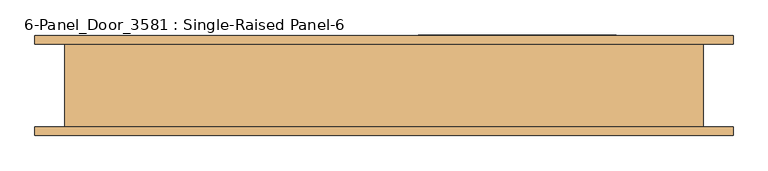
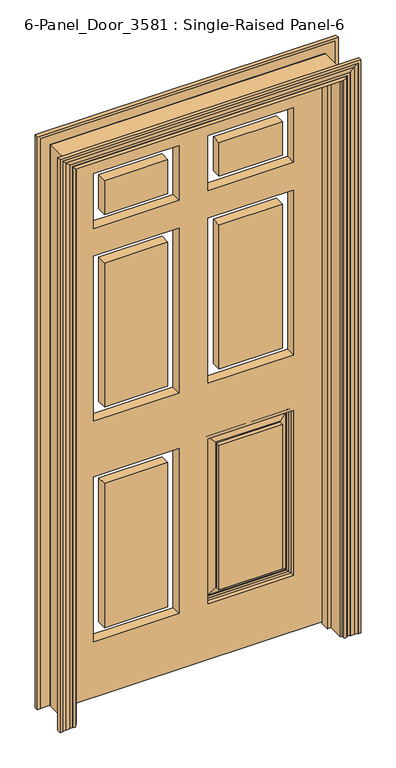
"""IFC4 building model written with IfcOpenShell, lengths in millimetres: door geometry, 6-Panel_Door_3581 : Single-Raised Panel-6."""

import ifcopenshell
import ifcopenshell.guid

model = None  # the IFC model being written
_history = None  # IfcOwnerHistory: only IFC2X3 demands one
_inside = {}  # id of a spatial element -> (the spatial element, [elements in it])
_under = {}  # id of a project, library or spatial element -> (it, [spatial elements below it])
_declared = {}  # id of a project -> (the project, [libraries it declares])
_typed = {}  # id of a type object -> (the type object, [elements of that type])
_made_of = {}  # id of a material, layer set ... -> (it, [elements and type objects made of it])


def new_model(schema):
    """Start an empty IFC model of exactly this schema.

    Asked for "IFC4X3", IfcOpenShell would pick the latest addendum, in which some entities
    have other attributes; the version numbers below select the first issue.
    IFC2X3 requires an IfcOwnerHistory on every rooted entity: one is made here for all.
    """
    global model, _history
    if schema == "IFC4X3":
        model = ifcopenshell.file(schema_version=(4, 3, 0, 0))
    else:
        model = ifcopenshell.file(schema=schema)
    _inside.clear()
    _under.clear()
    _declared.clear()
    _typed.clear()
    _made_of.clear()
    _history = None
    if model.schema == "IFC2X3":
        org = make("IfcOrganization", Name="unknown")
        user = make(
            "IfcPersonAndOrganization",
            ThePerson=make("IfcPerson", FamilyName="unknown"),
            TheOrganization=org,
        )
        app = make(
            "IfcApplication",
            ApplicationDeveloper=org,
            Version="unknown",
            ApplicationFullName="unknown",
            ApplicationIdentifier="unknown",
        )
        _history = make(
            "IfcOwnerHistory",
            OwningUser=user,
            OwningApplication=app,
            ChangeAction="ADDED",
            CreationDate=0,
        )
    return model


def make(cls, **values):
    """One entity of the class cls with the attributes given. An attribute that is None is left unset."""
    return model.create_entity(
        cls, **{name: value for name, value in values.items() if value is not None}
    )


def rooted(cls, **values):
    """An entity with a GlobalId (a new one), such as an element, a storey or a relation."""
    return make(cls, GlobalId=ifcopenshell.guid.new(), OwnerHistory=_history, **values)


def si_unit(unit_type, name, prefix=None):
    """IfcSIUnit, for example si_unit("LENGTHUNIT", "METRE", prefix="MILLI")."""
    return make("IfcSIUnit", UnitType=unit_type, Prefix=prefix, Name=name)


def assignment(units):
    """IfcUnitAssignment: the units of a project."""
    return None if units is None else make("IfcUnitAssignment", Units=units)


def point(xyz):
    """IfcCartesianPoint."""
    return None if xyz is None else make("IfcCartesianPoint", Coordinates=xyz)


def direction(xyz):
    """IfcDirection."""
    return None if xyz is None else make("IfcDirection", DirectionRatios=xyz)


def frame(location, z_axis=None, x_axis=None):
    """IfcAxis2Placement3D, a coordinate frame: its origin and axes. An axis left out is left unset."""
    return make(
        "IfcAxis2Placement3D",
        Location=point(location),
        Axis=direction(z_axis),
        RefDirection=direction(x_axis),
    )


def origin():
    """The frame at (0, 0, 0) with its axes left unset."""
    return frame((0.0, 0.0, 0.0))


def place(relative_to, where):
    """IfcLocalPlacement: puts the frame where relative to a parent placement (None: the world)."""
    return make(
        "IfcLocalPlacement", PlacementRelTo=relative_to, RelativePlacement=where
    )


def context(
    kind, dimensions, precision=None, world=None, true_north=None, identifier=None
):
    """IfcGeometricRepresentationContext, for example the 3D "Model" context."""
    return make(
        "IfcGeometricRepresentationContext",
        ContextIdentifier=identifier,
        ContextType=kind,
        CoordinateSpaceDimension=dimensions,
        Precision=precision,
        WorldCoordinateSystem=world,
        TrueNorth=true_north,
    )


def project(units=None, contexts=None):
    """IfcProject with its units and contexts."""
    return rooted(
        "IfcProject",
        Name="project",
        RepresentationContexts=contexts,
        UnitsInContext=assignment(units),
    )


def spatial(cls, under=None, at=None, **own):
    """A site, building, storey or space (cls), placed at a placement, below another one or the project."""
    s = rooted(cls, ObjectPlacement=at, **own)
    if under is not None:
        _under.setdefault(under.id(), (under, []))[1].append(s)
    return s


def polyline(points):
    """IfcPolyline through the points."""
    return make("IfcPolyline", Points=[point(p) for p in points])


def circle_curve(where, radius):
    """IfcCircle in the frame where."""
    return make("IfcCircle", Position=where, Radius=radius)


def ellipse_curve(where, semi_axis1, semi_axis2):
    """IfcEllipse in the frame where."""
    return make(
        "IfcEllipse", Position=where, SemiAxis1=semi_axis1, SemiAxis2=semi_axis2
    )


def outline(outer, holes=None, kind="AREA"):
    """IfcArbitraryClosedProfileDef: a profile drawn as a closed curve; with holes, ...WithVoids."""
    if holes is None:
        return make("IfcArbitraryClosedProfileDef", ProfileType=kind, OuterCurve=outer)
    return make(
        "IfcArbitraryProfileDefWithVoids",
        ProfileType=kind,
        OuterCurve=outer,
        InnerCurves=holes,
    )


def extrude(swept, where, along, depth):
    """IfcExtrudedAreaSolid: the profile swept, set in the frame where, extruded along a direction by depth."""
    return make(
        "IfcExtrudedAreaSolid",
        SweptArea=swept,
        Position=where,
        ExtrudedDirection=direction(along),
        Depth=depth,
    )


def faces_of(points, faces, orient=None, outer=None):
    """IfcFace entities. A face is a list of loops; a loop is a list of indices into points, from 0.

    orient and outer hold one flag for each loop. By default every Orientation is true, the
    first loop of a face is its IfcFaceOuterBound and the others are IfcFaceBound.
    """
    made = []
    for i, loops in enumerate(faces):
        bounds = []
        for j, loop in enumerate(loops):
            is_outer = j == 0 if outer is None else outer[i][j]
            bounds.append(
                make(
                    "IfcFaceOuterBound" if is_outer else "IfcFaceBound",
                    Bound=make("IfcPolyLoop", Polygon=[points[k] for k in loop]),
                    Orientation=True if orient is None else orient[i][j],
                )
            )
        made.append(make("IfcFace", Bounds=bounds))
    return made


def faceted_brep(points, faces, orient=None, outer=None, voids=None):
    """IfcFacetedBrep: a solid bounded by flat faces; with voids (closed shells), ...WithVoids."""
    shared = [point(p) for p in points]
    hull = make("IfcClosedShell", CfsFaces=faces_of(shared, faces, orient, outer))
    if voids is None:
        return make("IfcFacetedBrep", Outer=hull)
    return make(
        "IfcFacetedBrepWithVoids",
        Outer=hull,
        Voids=[
            make(cls, CfsFaces=faces_of(shared, fs, o, b)) for cls, fs, o, b in voids
        ],
    )


def shape(context_of_items, identifier, shape_type, items):
    """IfcShapeRepresentation: the items that make up one representation, for example the "Body"."""
    return make(
        "IfcShapeRepresentation",
        ContextOfItems=context_of_items,
        RepresentationIdentifier=identifier,
        RepresentationType=shape_type,
        Items=items,
    )


def source(mapping_origin, context_of_items, identifier, shape_type, items):
    """IfcRepresentationMap: a shape defined once, which mapped items show again and again."""
    return make(
        "IfcRepresentationMap",
        MappingOrigin=mapping_origin,
        MappedRepresentation=shape(context_of_items, identifier, shape_type, items),
    )


def transform(
    local_origin,
    x_axis=None,
    y_axis=None,
    z_axis=None,
    scale=None,
    scale2=None,
    scale3=None,
    uniform=True,
):
    """IfcCartesianTransformationOperator3D, or its non-uniform kind. x_axis, y_axis, z_axis: its Axis1, 2, 3."""
    if uniform:
        return make(
            "IfcCartesianTransformationOperator3D",
            Axis1=direction(x_axis),
            Axis2=direction(y_axis),
            LocalOrigin=point(local_origin),
            Scale=scale,
            Axis3=direction(z_axis),
        )
    return make(
        "IfcCartesianTransformationOperator3DnonUniform",
        Axis1=direction(x_axis),
        Axis2=direction(y_axis),
        LocalOrigin=point(local_origin),
        Scale=scale,
        Axis3=direction(z_axis),
        Scale2=scale2,
        Scale3=scale3,
    )


def mapped(mapping_source, mapping_target):
    """IfcMappedItem: shows the shape of a source again, moved by a transform."""
    return make(
        "IfcMappedItem", MappingSource=mapping_source, MappingTarget=mapping_target
    )


def made_of(thing, what):
    """Note that an element or type object is made of a material, layer set ...; save() writes the relation."""
    if what is not None:
        _made_of.setdefault(what.id(), (what, []))[1].append(thing)
    return thing


def element(
    cls,
    number,
    at=None,
    inside=None,
    cuts=None,
    type_object=None,
    material=None,
    context=None,
    identifier="Body",
    shape_type=None,
    held_by="IfcProductDefinitionShape",
    body=None,
    shapes=None,
    **own,
):
    """One element of the class cls, such as IfcWall. Its Tag is "e" and its number.

    at: its placement. inside: the storey or other place that contains it. cuts: it is an
    opening in that element (IfcRelVoidsElement). A single representation is given by context,
    identifier, shape_type and body (its items); several are given by shapes. held_by: the class
    of the entity that holds the representations. save() writes the other relations.
    """
    e = rooted(cls, Tag="e%d" % number, ObjectPlacement=at, **own)
    if body is not None:
        shapes = [shape(context, identifier, shape_type, body)]
    if shapes is not None:
        e.Representation = make(held_by, Representations=shapes)
    if inside is not None:
        _inside.setdefault(inside.id(), (inside, []))[1].append(e)
    if cuts is not None:
        rooted(
            "IfcRelVoidsElement", RelatingBuildingElement=cuts, RelatedOpeningElement=e
        )
    if type_object is not None:
        _typed.setdefault(type_object.id(), (type_object, []))[1].append(e)
    return made_of(e, material)


def aggregate(whole, parts):
    """IfcRelAggregates: a whole, such as a stair, and the parts it consists of."""
    return rooted("IfcRelAggregates", RelatingObject=whole, RelatedObjects=parts)


def save(model, path):
    """Write the relations noted so far, then the file.

    IfcRelAggregates (storeys below a building ...), IfcRelContainedInSpatialStructure (elements
    in a storey), IfcRelDefinesByType, IfcRelAssociatesMaterial and IfcRelDeclares: one each for
    every whole, place, type object, material and project.
    """
    for whole, parts in _under.values():
        aggregate(whole, parts)
    for where, things in _inside.values():
        rooted(
            "IfcRelContainedInSpatialStructure",
            RelatedElements=things,
            RelatingStructure=where,
        )
    for kind, things in _typed.values():
        rooted("IfcRelDefinesByType", RelatedObjects=things, RelatingType=kind)
    for what, things in _made_of.values():
        rooted("IfcRelAssociatesMaterial", RelatedObjects=things, RelatingMaterial=what)
    for by, libraries in _declared.values():
        rooted("IfcRelDeclares", RelatingContext=by, RelatedDefinitions=libraries)
    model.write(path)


def plane_surface(at):
    """IfcPlane: the flat surface through the origin of the frame at, square to its z axis."""
    return make("IfcPlane", Position=at)


def cylinder_surface(at, radius):
    """IfcCylindricalSurface: all points at the distance radius from the z axis of the frame at."""
    return make("IfcCylindricalSurface", Position=at, Radius=radius)


def revolved_surface(curve, axis_point, axis_direction):
    """IfcSurfaceOfRevolution: the curve turned about the line through axis_point along axis_direction."""
    return make(
        "IfcSurfaceOfRevolution",
        SweptCurve=make("IfcArbitraryOpenProfileDef", ProfileType="CURVE", Curve=curve),
        AxisPosition=make("IfcAxis1Placement", Location=point(axis_point), Axis=direction(axis_direction)),
    )


def advanced_brep(points, edges, surfaces, faces):
    """IfcAdvancedBrep: a solid bounded by faces that lie on surfaces and meet in shared edges.

    An edge is (start, end): straight between two places in points (the first is 0);
    or (start, end, curve); or (start, end, curve, False) where it runs against its curve.
    A face is (place in surfaces, loops), or (place, loops, False) where it looks against
    its surface's normal. A loop lists edges by number (the first is 1), with a minus sign
    where the edge is run from its end to its start. The first loop is the outer one.
    """
    corners = [point(p) for p in points]
    vertices = [make("IfcVertexPoint", VertexGeometry=c) for c in corners]
    made = []
    for start, end, *more in edges:
        made.append(
            make(
                "IfcEdgeCurve",
                EdgeStart=vertices[start],
                EdgeEnd=vertices[end],
                EdgeGeometry=more[0] if more else make("IfcPolyline", Points=[corners[start], corners[end]]),
                SameSense=more[1] if len(more) > 1 else True,
            )
        )
    hull = []
    for where, loops, *sense in faces:
        bounds = []
        for j, loop in enumerate(loops):
            ring = [make("IfcOrientedEdge", EdgeElement=made[abs(k) - 1], Orientation=k > 0) for k in loop]
            bounds.append(
                make(
                    "IfcFaceOuterBound" if j == 0 else "IfcFaceBound",
                    Bound=make("IfcEdgeLoop", EdgeList=ring),
                    Orientation=True,
                )
            )
        hull.append(make("IfcAdvancedFace", Bounds=bounds, FaceSurface=surfaces[where], SameSense=sense[0] if sense else True))
    return make("IfcAdvancedBrep", Outer=make("IfcClosedShell", CfsFaces=hull))


def door_6_panel_door_3581_single_raised_panel_6_0ea91601(model_context):
    return source(origin(), model_context, "Body", "SolidModel", [
        advanced_brep(
        [(520.7, -62.0, 0.0), (520.7, -74.7, 0.0), (511.175, -74.7, 0.0), (511.175, -73.1125, 0.0), (499.8318516, -72.4773106, 0.0), (485.775, -71.5001953, 0.0), (485.775, -69.9375, 0.0), (476.25, -69.9375, 0.0), (476.25, -68.35, 0.0), (473.075, -68.35, 0.0), (463.55, -68.35, 0.0), (463.55, -62.0, 0.0), (476.25, -62.0, 0.0), (476.25, -63.5875, 0.0), (511.175, -63.5875, 0.0), (511.175, -62.0, 0.0), (511.175, -62.0, 2085.975), (-511.175, -62.0, 2085.975), (-511.175, -62.0, 0.0), (-520.7, -62.0, 0.0), (-520.7, -62.0, 2095.5), (520.7, -62.0, 2095.5), (511.175, -63.5875, 2085.975), (476.25, -63.5875, 2051.05), (-476.25, -63.5875, 2051.05), (-476.25, -63.5875, 0.0), (-511.175, -63.5875, 0.0), (-511.175, -63.5875, 2085.975), (476.25, -62.0, 2051.05), (463.55, -62.0, 2038.35), (-463.55, -62.0, 2038.35), (-463.55, -62.0, 0.0), (-476.25, -62.0, 0.0), (-476.25, -62.0, 2051.05), (463.55, -68.35, 2038.35), (473.075, -68.35, 2047.875), (476.25, -68.35, 2051.05), (-476.25, -68.35, 2051.05), (-476.25, -68.35, 0.0), (-473.075, -68.35, 0.0), (-473.075, -68.35, 2047.875), (476.25, -69.9375, 2051.05), (485.775, -69.9375, 2060.575), (-485.775, -69.9375, 2060.575), (-485.775, -69.9375, 0.0), (-476.25, -69.9375, 0.0), (-476.25, -69.9375, 2051.05), (485.775, -71.5001953, 2060.575), (499.8318516, -72.4773106, 2074.6318516), (511.175, -73.1125, 2085.975), (511.175, -74.7, 2085.975), (520.7, -74.7, 2095.5), (-520.7, -74.7, 2095.5), (-520.7, -74.7, 0.0), (-511.175, -74.7, 0.0), (-511.175, -74.7, 2085.975), (-463.55, -68.35, 0.0), (-485.775, -71.5001953, 0.0), (-499.8318516, -72.4773106, 0.0), (-511.175, -73.1125, 0.0), (-463.55, -68.35, 2038.35), (-485.775, -71.5001953, 2060.575), (-511.175, -73.1125, 2085.975), (-499.8318516, -72.4773106, 2074.6318516)],
        [
            (0, 1),
            (1, 2),
            (2, 3),
            (3, 4, circle_curve(frame((511.175, 28.4875, 0.0), z_axis=(0.0, 0.0, -1.0), x_axis=(-1.0, 0.0, 0.0)), 101.6)),
            (4, 5, circle_curve(frame((485.775, -173.1001953, 0.0), z_axis=(0.0, 0.0, 1.0), x_axis=(-1.0, 0.0, 0.0)), 101.6)),
            (5, 6),
            (6, 7),
            (7, 8),
            (8, 9),
            (9, 10, circle_curve(frame((468.3125, -68.35, 0.0), z_axis=(0.0, 0.0, -1.0), x_axis=(-1.0, 0.0, 0.0)), 4.7625)),
            (10, 11),
            (11, 12),
            (12, 13),
            (13, 14),
            (14, 15),
            (15, 0),
            (15, 16),
            (16, 17),
            (17, 18),
            (18, 19),
            (19, 20),
            (20, 21),
            (21, 0),
            (14, 22),
            (22, 16),
            (13, 23),
            (23, 24),
            (24, 25),
            (25, 26),
            (26, 27),
            (27, 22),
            (12, 28),
            (28, 23),
            (11, 29),
            (29, 30),
            (30, 31),
            (31, 32),
            (32, 33),
            (33, 28),
            (10, 34),
            (34, 29),
            (9, 35),
            (35, 34, ellipse_curve(frame((468.3125, -68.35, 2043.1125), z_axis=(0.7071067811865475, 0.0, -0.7071067811865475), x_axis=(-0.7071067811865474, 0.0, -0.7071067811865476)), 6.7351921, 4.7625)),
            (8, 36),
            (36, 37),
            (37, 38),
            (38, 39),
            (39, 40),
            (40, 35),
            (7, 41),
            (41, 36),
            (6, 42),
            (42, 43),
            (43, 44),
            (44, 45),
            (45, 46),
            (46, 41),
            (5, 47),
            (47, 42),
            (4, 48),
            (48, 47, ellipse_curve(frame((485.775, -173.1001953, 2060.575), z_axis=(-0.7071067811865475, 0.0, 0.7071067811865475), x_axis=(0.7071067811865474, 0.0, 0.7071067811865476)), 143.6840979, 101.6)),
            (3, 49),
            (49, 48, ellipse_curve(frame((511.175, 28.4875, 2085.975), z_axis=(0.7071067811865475, 0.0, -0.7071067811865475), x_axis=(-0.7071067811865474, 0.0, -0.7071067811865476)), 143.6840979, 101.6)),
            (2, 50),
            (50, 49),
            (1, 51),
            (51, 52),
            (52, 53),
            (53, 54),
            (54, 55),
            (55, 50),
            (21, 51),
            (19, 53),
            (52, 20),
            (18, 26),
            (25, 32),
            (31, 56),
            (56, 39, circle_curve(frame((-468.3125, -68.35, 0.0), z_axis=(0.0, 0.0, -1.0), x_axis=(1.0, 0.0, 0.0)), 4.7625)),
            (38, 45),
            (44, 57),
            (57, 58, circle_curve(frame((-485.775, -173.1001953, 0.0), z_axis=(0.0, 0.0, 1.0), x_axis=(1.0, 0.0, 0.0)), 101.6)),
            (58, 59, circle_curve(frame((-511.175, 28.4875, 0.0), z_axis=(0.0, 0.0, -1.0), x_axis=(1.0, 0.0, 0.0)), 101.6)),
            (59, 54),
            (17, 27),
            (24, 33),
            (60, 56),
            (30, 60),
            (60, 40, ellipse_curve(frame((-468.3125, -68.35, 2043.1125), z_axis=(-0.7071067811865475, 0.0, -0.7071067811865475), x_axis=(-0.7071067811865474, 0.0, 0.7071067811865476)), 6.7351921, 4.7625)),
            (37, 46),
            (61, 57),
            (43, 61),
            (59, 62),
            (62, 55),
            (58, 63),
            (63, 62, ellipse_curve(frame((-511.175, 28.4875, 2085.975), z_axis=(-0.7071067811865475, 0.0, -0.7071067811865475), x_axis=(-0.7071067811865474, 0.0, 0.7071067811865476)), 143.6840979, 101.6)),
            (61, 63, ellipse_curve(frame((-485.775, -173.1001953, 2060.575), z_axis=(0.7071067811865475, 0.0, 0.7071067811865475), x_axis=(0.7071067811865474, 0.0, -0.7071067811865476)), 143.6840979, 101.6)),
            (34, 60),
            (47, 61),
            (48, 63),
            (49, 62),
        ],
        [
            plane_surface(frame((520.7, 0.0, 0.0), z_axis=(0.0, 0.0, -1.0), x_axis=(0.0, 1.0, 0.0))),
            plane_surface(frame((520.7, -62.0, 0.0), z_axis=(0.0, 1.0, 0.0), x_axis=(0.0, 0.0, 1.0))),
            plane_surface(frame((511.175, -62.0, 0.0), z_axis=(-1.0, 0.0, 0.0), x_axis=(0.0, 0.0, 1.0))),
            plane_surface(frame((511.175, -63.5875, 0.0), z_axis=(0.0, 1.0, 0.0), x_axis=(0.0, 0.0, 1.0))),
            plane_surface(frame((476.25, -63.5875, 0.0), z_axis=(1.0, 0.0, 0.0), x_axis=(0.0, 0.0, 1.0))),
            plane_surface(frame((476.25, -62.0, 0.0), z_axis=(0.0, 1.0, 0.0), x_axis=(0.0, 0.0, 1.0))),
            plane_surface(frame((463.55, -62.0, 0.0), z_axis=(-1.0, 0.0, 0.0), x_axis=(0.0, 0.0, 1.0))),
            cylinder_surface(frame((468.3125, -68.35, 0.0), z_axis=(0.0, 0.0, -1.0), x_axis=(-1.0, 0.0, 0.0)), 4.7625),
            plane_surface(frame((473.075, -68.35, 0.0), z_axis=(0.0, -1.0, 0.0), x_axis=(0.0, 0.0, 1.0))),
            plane_surface(frame((476.25, -68.35, 0.0), z_axis=(-1.0, 0.0, 0.0), x_axis=(0.0, 0.0, 1.0))),
            plane_surface(frame((476.25, -69.9375, 0.0), z_axis=(0.0, -1.0, 0.0), x_axis=(0.0, 0.0, 1.0))),
            plane_surface(frame((485.775, -69.9375, 0.0), z_axis=(-1.0, 0.0, 0.0), x_axis=(0.0, 0.0, 1.0))),
            revolved_surface(polyline([(384.17499999999995, -173.1001953, 2162.1749999737617), (384.17499999999995, -173.1001953, 0.0)]), (485.775, -173.1001953, 0.0), (0.0, 0.0, 1.0)),
            cylinder_surface(frame((511.175, 28.4875, 0.0), z_axis=(0.0, 0.0, -1.0), x_axis=(-1.0, 0.0, 0.0)), 101.6),
            plane_surface(frame((511.175, -73.1125, 0.0), z_axis=(-1.0, 0.0, 0.0), x_axis=(0.0, 0.0, 1.0))),
            plane_surface(frame((511.175, -74.7, 0.0), z_axis=(0.0, -1.0, 0.0), x_axis=(0.0, 0.0, 1.0))),
            plane_surface(frame((520.7, -74.7, 0.0), z_axis=(1.0, 0.0, 0.0), x_axis=(0.0, 0.0, 1.0))),
            plane_surface(frame((-520.7, -74.7, 2095.5), z_axis=(-1.0, 0.0, 0.0), x_axis=(0.0, 0.0, -1.0))),
            plane_surface(frame((-520.7, 0.0, 0.0), z_axis=(0.0, 0.0, -1.0), x_axis=(0.0, 1.0, 0.0))),
            plane_surface(frame((-511.175, -62.0, 2085.975), z_axis=(1.0, 0.0, 0.0), x_axis=(0.0, 0.0, -1.0))),
            plane_surface(frame((-476.25, -63.5875, 2051.05), z_axis=(-1.0, 0.0, 0.0), x_axis=(0.0, 0.0, -1.0))),
            plane_surface(frame((-463.55, -62.0, 2038.35), z_axis=(1.0, 0.0, 0.0), x_axis=(0.0, 0.0, -1.0))),
            cylinder_surface(frame((-468.3125, -68.35, 2095.5), z_axis=(0.0, 0.0, 1.0), x_axis=(1.0, 0.0, 0.0)), 4.7625),
            plane_surface(frame((-476.25, -68.35, 2051.05), z_axis=(1.0, 0.0, 0.0), x_axis=(0.0, 0.0, -1.0))),
            plane_surface(frame((-485.775, -69.9375, 2060.575), z_axis=(1.0, 0.0, 0.0), x_axis=(0.0, 0.0, -1.0))),
            plane_surface(frame((-511.175, -73.1125, 2085.975), z_axis=(1.0, 0.0, 0.0), x_axis=(0.0, 0.0, -1.0))),
            cylinder_surface(frame((-511.175, 28.4875, 2095.5), z_axis=(0.0, 0.0, 1.0), x_axis=(1.0, 0.0, 0.0)), 101.6),
            revolved_surface(polyline([(-384.17499999999995, -173.1001953, 0.0), (-384.17499999999995, -173.1001953, 2162.1749999737617)]), (-485.775, -173.1001953, 2095.5), (0.0, 0.0, -1.0)),
            plane_surface(frame((511.175, -62.0, 2085.975), z_axis=(0.0, 0.0, -1.0), x_axis=(-1.0, 0.0, 0.0))),
            plane_surface(frame((476.25, -63.5875, 2051.05), z_axis=(0.0, 0.0, 1.0), x_axis=(-1.0, 0.0, 0.0))),
            plane_surface(frame((463.55, -62.0, 2038.35), z_axis=(0.0, 0.0, -1.0), x_axis=(-1.0, 0.0, 0.0))),
            cylinder_surface(frame((520.7, -68.35, 2043.1125), z_axis=(1.0, 0.0, 0.0), x_axis=(0.0, 0.0, -1.0)), 4.7625),
            plane_surface(frame((476.25, -68.35, 2051.05), z_axis=(0.0, 0.0, -1.0), x_axis=(-1.0, 0.0, 0.0))),
            plane_surface(frame((485.775, -69.9375, 2060.575), z_axis=(0.0, 0.0, -1.0), x_axis=(-1.0, 0.0, 0.0))),
            revolved_surface(polyline([(-587.3749999737618, -173.1001953, 1958.975), (587.3749999737618, -173.1001953, 1958.975)]), (520.7, -173.1001953, 2060.575), (-1.0, 0.0, 0.0)),
            cylinder_surface(frame((520.7, 28.4875, 2085.975), z_axis=(1.0, 0.0, 0.0), x_axis=(0.0, 0.0, -1.0)), 101.6),
            plane_surface(frame((511.175, -73.1125, 2085.975), z_axis=(0.0, 0.0, -1.0), x_axis=(-1.0, 0.0, 0.0))),
            plane_surface(frame((520.7, -74.7, 2095.5), z_axis=(0.0, 0.0, 1.0), x_axis=(-1.0, 0.0, 0.0))),
        ],
        [
            (0, [[1, 2, 3, 4, 5, 6, 7, 8, 9, 10, 11, 12, 13, 14, 15, 16]]),
            (1, [[17, 18, 19, 20, 21, 22, 23, -16]]),
            (2, [[24, 25, -17, -15]]),
            (3, [[26, 27, 28, 29, 30, 31, -24, -14]]),
            (4, [[32, 33, -26, -13]]),
            (5, [[34, 35, 36, 37, 38, 39, -32, -12]]),
            (6, [[40, 41, -34, -11]]),
            (7, [[42, 43, -40, -10]]),
            (8, [[44, 45, 46, 47, 48, 49, -42, -9]]),
            (9, [[50, 51, -44, -8]]),
            (10, [[52, 53, 54, 55, 56, 57, -50, -7]]),
            (11, [[58, 59, -52, -6]]),
            (12, [[60, 61, -58, -5]]),
            (13, [[62, 63, -60, -4]]),
            (14, [[64, 65, -62, -3]]),
            (15, [[66, 67, 68, 69, 70, 71, -64, -2]]),
            (16, [[-23, 72, -66, -1]]),
            (17, [[-21, 73, -68, 74]]),
            (18, [[-20, 75, -29, 76, -37, 77, 78, -47, 79, -55, 80, 81, 82, 83, -69, -73]]),
            (19, [[-30, -75, -19, 84]]),
            (20, [[-38, -76, -28, 85]]),
            (21, [[86, -77, -36, 87]]),
            (22, [[-48, -78, -86, 88]]),
            (23, [[-56, -79, -46, 89]]),
            (24, [[90, -80, -54, 91]]),
            (25, [[-70, -83, 92, 93]]),
            (26, [[-92, -82, 94, 95]]),
            (27, [[-94, -81, -90, 96]]),
            (28, [[-31, -84, -18, -25]]),
            (29, [[-39, -85, -27, -33]]),
            (30, [[97, -87, -35, -41]]),
            (31, [[-49, -88, -97, -43]]),
            (32, [[-57, -89, -45, -51]]),
            (33, [[98, -91, -53, -59]]),
            (34, [[99, -96, -98, -61]]),
            (35, [[100, -95, -99, -63]]),
            (36, [[-71, -93, -100, -65]]),
            (37, [[-22, -74, -67, -72]]),
        ],
    ),
        advanced_brep(
        [(-520.7, 62.0, 0.0), (-520.7, 74.8031392, 0.0), (-511.175, 74.8031392, 0.0), (-511.175, 73.2156392, 0.0), (-499.8318516, 72.4773106, 0.0), (-485.775, 71.5001953, 0.0), (-485.775, 69.9375, 0.0), (-476.25, 69.9375, 0.0), (-476.25, 68.35, 0.0), (-473.075, 68.35, 0.0), (-463.55, 68.35, 0.0), (-463.55, 62.0, 0.0), (-476.25, 62.0, 0.0), (-476.25, 63.5875, 0.0), (-511.175, 63.5875, 0.0), (-511.175, 62.0, 0.0), (-511.175, 62.0, 2085.975), (511.175, 62.0, 2085.975), (511.175, 62.0, 0.0), (520.7, 62.0, 0.0), (520.7, 62.0, 2095.5), (-520.7, 62.0, 2095.5), (-511.175, 63.5875, 2085.975), (-476.25, 63.5875, 2051.05), (476.25, 63.5875, 2051.05), (476.25, 63.5875, 0.0), (511.175, 63.5875, 0.0), (511.175, 63.5875, 2085.975), (-476.25, 62.0, 2051.05), (-463.55, 62.0, 2038.35), (463.55, 62.0, 2038.35), (463.55, 62.0, 0.0), (476.25, 62.0, 0.0), (476.25, 62.0, 2051.05), (-463.55, 68.35, 2038.35), (-473.075, 68.35, 2047.875), (-476.25, 68.35, 2051.05), (476.25, 68.35, 2051.05), (476.25, 68.35, 0.0), (473.075, 68.35, 0.0), (473.075, 68.35, 2047.875), (-476.25, 69.9375, 2051.05), (-485.775, 69.9375, 2060.575), (485.775, 69.9375, 2060.575), (485.775, 69.9375, 0.0), (476.25, 69.9375, 0.0), (476.25, 69.9375, 2051.05), (-485.775, 71.5001953, 2060.575), (-499.8318516, 72.4773106, 2074.6318516), (-511.175, 73.2156392, 2085.975), (-511.175, 74.8031392, 2085.975), (-520.7, 74.8031392, 2095.5), (520.7, 74.8031392, 2095.5), (520.7, 74.8031392, 0.0), (511.175, 74.8031392, 0.0), (511.175, 74.8031392, 2085.975), (463.55, 68.35, 0.0), (485.775, 71.5001953, 0.0), (499.8318516, 72.4773106, 0.0), (511.175, 73.2156392, 0.0), (463.55, 68.35, 2038.35), (485.775, 71.5001953, 2060.575), (511.175, 73.2156392, 2085.975), (499.8318516, 72.4773106, 2074.6318516)],
        [
            (0, 1),
            (1, 2),
            (2, 3),
            (3, 4, circle_curve(frame((-511.175, -14.2875, 0.0), z_axis=(0.0, 0.0, -1.0), x_axis=(-1.0, 0.0, 0.0)), 87.5031392)),
            (4, 5, circle_curve(frame((-485.775, 173.1001953, 0.0), z_axis=(0.0, 0.0, 1.0), x_axis=(-1.0, 0.0, 0.0)), 101.6)),
            (5, 6),
            (6, 7),
            (7, 8),
            (8, 9),
            (9, 10, circle_curve(frame((-468.3125, 68.35, 0.0), z_axis=(0.0, 0.0, -1.0), x_axis=(-1.0, 0.0, 0.0)), 4.7625)),
            (10, 11),
            (11, 12),
            (12, 13),
            (13, 14),
            (14, 15),
            (15, 0),
            (15, 16),
            (16, 17),
            (17, 18),
            (18, 19),
            (19, 20),
            (20, 21),
            (21, 0),
            (14, 22),
            (22, 16),
            (13, 23),
            (23, 24),
            (24, 25),
            (25, 26),
            (26, 27),
            (27, 22),
            (12, 28),
            (28, 23),
            (11, 29),
            (29, 30),
            (30, 31),
            (31, 32),
            (32, 33),
            (33, 28),
            (10, 34),
            (34, 29),
            (9, 35),
            (35, 34, ellipse_curve(frame((-468.3125, 68.35, 2043.1125), z_axis=(-0.7071067811865475, 0.0, -0.7071067811865475), x_axis=(0.7071067811865474, 0.0, -0.7071067811865476)), 6.7351921, 4.7625)),
            (8, 36),
            (36, 37),
            (37, 38),
            (38, 39),
            (39, 40),
            (40, 35),
            (7, 41),
            (41, 36),
            (6, 42),
            (42, 43),
            (43, 44),
            (44, 45),
            (45, 46),
            (46, 41),
            (5, 47),
            (47, 42),
            (4, 48),
            (48, 47, ellipse_curve(frame((-485.775, 173.1001953, 2060.575), z_axis=(0.7071067811865475, 0.0, 0.7071067811865475), x_axis=(-0.7071067811865474, 0.0, 0.7071067811865476)), 143.6840979, 101.6)),
            (3, 49),
            (49, 48, ellipse_curve(frame((-511.175, -14.2875, 2085.975), z_axis=(-0.7071067811865475, 0.0, -0.7071067811865475), x_axis=(0.7071067811865474, 0.0, -0.7071067811865476)), 123.7481263, 87.5031392)),
            (2, 50),
            (50, 49),
            (1, 51),
            (51, 52),
            (52, 53),
            (53, 54),
            (54, 55),
            (55, 50),
            (21, 51),
            (19, 53),
            (52, 20),
            (18, 26),
            (25, 32),
            (31, 56),
            (56, 39, circle_curve(frame((468.3125, 68.35, 0.0), z_axis=(0.0, 0.0, -1.0), x_axis=(1.0, 0.0, 0.0)), 4.7625)),
            (38, 45),
            (44, 57),
            (57, 58, circle_curve(frame((485.775, 173.1001953, 0.0), z_axis=(0.0, 0.0, 1.0), x_axis=(1.0, 0.0, 0.0)), 101.6)),
            (58, 59, circle_curve(frame((511.175, -14.2875, 0.0), z_axis=(0.0, 0.0, -1.0), x_axis=(1.0, 0.0, 0.0)), 87.5031392)),
            (59, 54),
            (17, 27),
            (24, 33),
            (60, 56),
            (30, 60),
            (60, 40, ellipse_curve(frame((468.3125, 68.35, 2043.1125), z_axis=(0.7071067811865475, 0.0, -0.7071067811865475), x_axis=(0.7071067811865474, 0.0, 0.7071067811865476)), 6.7351921, 4.7625)),
            (37, 46),
            (61, 57),
            (43, 61),
            (59, 62),
            (62, 55),
            (58, 63),
            (63, 62, ellipse_curve(frame((511.175, -14.2875, 2085.975), z_axis=(0.7071067811865475, 0.0, -0.7071067811865475), x_axis=(0.7071067811865474, 0.0, 0.7071067811865476)), 123.7481263, 87.5031392)),
            (61, 63, ellipse_curve(frame((485.775, 173.1001953, 2060.575), z_axis=(-0.7071067811865475, 0.0, 0.7071067811865475), x_axis=(-0.7071067811865474, 0.0, -0.7071067811865476)), 143.6840979, 101.6)),
            (34, 60),
            (47, 61),
            (48, 63),
            (49, 62),
        ],
        [
            plane_surface(frame((-520.7, 0.0, 0.0), z_axis=(0.0, 0.0, -1.0), x_axis=(0.0, 1.0, 0.0))),
            plane_surface(frame((-520.7, 62.0, 0.0), z_axis=(0.0, -1.0, 0.0), x_axis=(0.0, 0.0, 1.0))),
            plane_surface(frame((-511.175, 62.0, 0.0), z_axis=(1.0, 0.0, 0.0), x_axis=(0.0, 0.0, 1.0))),
            plane_surface(frame((-511.175, 63.5875, 0.0), z_axis=(0.0, -1.0, 0.0), x_axis=(0.0, 0.0, 1.0))),
            plane_surface(frame((-476.25, 63.5875, 0.0), z_axis=(-1.0, 0.0, 0.0), x_axis=(0.0, 0.0, 1.0))),
            plane_surface(frame((-476.25, 62.0, 0.0), z_axis=(0.0, -1.0, 0.0), x_axis=(0.0, 0.0, 1.0))),
            plane_surface(frame((-463.55, 62.0, 0.0), z_axis=(1.0, 0.0, 0.0), x_axis=(0.0, 0.0, 1.0))),
            cylinder_surface(frame((-468.3125, 68.35, 0.0), z_axis=(0.0, 0.0, -1.0), x_axis=(-1.0, 0.0, 0.0)), 4.7625),
            plane_surface(frame((-473.075, 68.35, 0.0), z_axis=(0.0, 1.0, 0.0), x_axis=(0.0, 0.0, 1.0))),
            plane_surface(frame((-476.25, 68.35, 0.0), z_axis=(1.0, 0.0, 0.0), x_axis=(0.0, 0.0, 1.0))),
            plane_surface(frame((-476.25, 69.9375, 0.0), z_axis=(0.0, 1.0, 0.0), x_axis=(0.0, 0.0, 1.0))),
            plane_surface(frame((-485.775, 69.9375, 0.0), z_axis=(1.0, 0.0, 0.0), x_axis=(0.0, 0.0, 1.0))),
            revolved_surface(polyline([(-587.375, 173.1001953, 2162.1749999737617), (-587.375, 173.1001953, 0.0)]), (-485.775, 173.1001953, 0.0), (0.0, 0.0, 1.0)),
            cylinder_surface(frame((-511.175, -14.2875, 0.0), z_axis=(0.0, 0.0, -1.0), x_axis=(-1.0, 0.0, 0.0)), 87.5031392),
            plane_surface(frame((-511.175, 73.2156392, 0.0), z_axis=(1.0, 0.0, 0.0), x_axis=(0.0, 0.0, 1.0))),
            plane_surface(frame((-511.175, 74.8031392, 0.0), z_axis=(0.0, 1.0, 0.0), x_axis=(0.0, 0.0, 1.0))),
            plane_surface(frame((-520.7, 74.8031392, 0.0), z_axis=(-1.0, 0.0, 0.0), x_axis=(0.0, 0.0, 1.0))),
            plane_surface(frame((520.7, 74.8031392, 2095.5), z_axis=(1.0, 0.0, 0.0), x_axis=(0.0, 0.0, -1.0))),
            plane_surface(frame((520.7, 0.0, 0.0), z_axis=(0.0, 0.0, -1.0), x_axis=(0.0, 1.0, 0.0))),
            plane_surface(frame((511.175, 62.0, 2085.975), z_axis=(-1.0, 0.0, 0.0), x_axis=(0.0, 0.0, -1.0))),
            plane_surface(frame((476.25, 63.5875, 2051.05), z_axis=(1.0, 0.0, 0.0), x_axis=(0.0, 0.0, -1.0))),
            plane_surface(frame((463.55, 62.0, 2038.35), z_axis=(-1.0, 0.0, 0.0), x_axis=(0.0, 0.0, -1.0))),
            cylinder_surface(frame((468.3125, 68.35, 2095.5), z_axis=(0.0, 0.0, 1.0), x_axis=(1.0, 0.0, 0.0)), 4.7625),
            plane_surface(frame((476.25, 68.35, 2051.05), z_axis=(-1.0, 0.0, 0.0), x_axis=(0.0, 0.0, -1.0))),
            plane_surface(frame((485.775, 69.9375, 2060.575), z_axis=(-1.0, 0.0, 0.0), x_axis=(0.0, 0.0, -1.0))),
            plane_surface(frame((511.175, 73.2156392, 2085.975), z_axis=(-1.0, 0.0, 0.0), x_axis=(0.0, 0.0, -1.0))),
            cylinder_surface(frame((511.175, -14.2875, 2095.5), z_axis=(0.0, 0.0, 1.0), x_axis=(1.0, 0.0, 0.0)), 87.5031392),
            revolved_surface(polyline([(587.375, 173.1001953, 0.0), (587.375, 173.1001953, 2162.1749999737617)]), (485.775, 173.1001953, 2095.5), (0.0, 0.0, -1.0)),
            plane_surface(frame((-511.175, 62.0, 2085.975), z_axis=(0.0, 0.0, -1.0), x_axis=(1.0, 0.0, 0.0))),
            plane_surface(frame((-476.25, 63.5875, 2051.05), z_axis=(0.0, 0.0, 1.0), x_axis=(1.0, 0.0, 0.0))),
            plane_surface(frame((-463.55, 62.0, 2038.35), z_axis=(0.0, 0.0, -1.0), x_axis=(1.0, 0.0, 0.0))),
            cylinder_surface(frame((-520.7, 68.35, 2043.1125), z_axis=(-1.0, 0.0, 0.0), x_axis=(0.0, 0.0, 1.0)), 4.7625),
            plane_surface(frame((-476.25, 68.35, 2051.05), z_axis=(0.0, 0.0, -1.0), x_axis=(1.0, 0.0, 0.0))),
            plane_surface(frame((-485.775, 69.9375, 2060.575), z_axis=(0.0, 0.0, -1.0), x_axis=(1.0, 0.0, 0.0))),
            revolved_surface(polyline([(587.3749999737618, 173.1001953, 2162.1749999999997), (-587.3749999737618, 173.1001953, 2162.1749999999997)]), (-520.7, 173.1001953, 2060.575), (1.0, 0.0, 0.0)),
            cylinder_surface(frame((-520.7, -14.2875, 2085.975), z_axis=(-1.0, 0.0, 0.0), x_axis=(0.0, 0.0, 1.0)), 87.5031392),
            plane_surface(frame((-511.175, 73.2156392, 2085.975), z_axis=(0.0, 0.0, -1.0), x_axis=(1.0, 0.0, 0.0))),
            plane_surface(frame((-520.7, 74.8031392, 2095.5), z_axis=(0.0, 0.0, 1.0), x_axis=(1.0, 0.0, 0.0))),
        ],
        [
            (0, [[1, 2, 3, 4, 5, 6, 7, 8, 9, 10, 11, 12, 13, 14, 15, 16]]),
            (1, [[17, 18, 19, 20, 21, 22, 23, -16]]),
            (2, [[24, 25, -17, -15]]),
            (3, [[26, 27, 28, 29, 30, 31, -24, -14]]),
            (4, [[32, 33, -26, -13]]),
            (5, [[34, 35, 36, 37, 38, 39, -32, -12]]),
            (6, [[40, 41, -34, -11]]),
            (7, [[42, 43, -40, -10]]),
            (8, [[44, 45, 46, 47, 48, 49, -42, -9]]),
            (9, [[50, 51, -44, -8]]),
            (10, [[52, 53, 54, 55, 56, 57, -50, -7]]),
            (11, [[58, 59, -52, -6]]),
            (12, [[60, 61, -58, -5]]),
            (13, [[62, 63, -60, -4]]),
            (14, [[64, 65, -62, -3]]),
            (15, [[66, 67, 68, 69, 70, 71, -64, -2]]),
            (16, [[-23, 72, -66, -1]]),
            (17, [[-21, 73, -68, 74]]),
            (18, [[-20, 75, -29, 76, -37, 77, 78, -47, 79, -55, 80, 81, 82, 83, -69, -73]]),
            (19, [[-30, -75, -19, 84]]),
            (20, [[-38, -76, -28, 85]]),
            (21, [[86, -77, -36, 87]]),
            (22, [[-48, -78, -86, 88]]),
            (23, [[-56, -79, -46, 89]]),
            (24, [[90, -80, -54, 91]]),
            (25, [[-70, -83, 92, 93]]),
            (26, [[-92, -82, 94, 95]]),
            (27, [[-94, -81, -90, 96]]),
            (28, [[-31, -84, -18, -25]]),
            (29, [[-39, -85, -27, -33]]),
            (30, [[97, -87, -35, -41]]),
            (31, [[-49, -88, -97, -43]]),
            (32, [[-57, -89, -45, -51]]),
            (33, [[98, -91, -53, -59]]),
            (34, [[99, -96, -98, -61]]),
            (35, [[100, -95, -99, -63]]),
            (36, [[-71, -93, -100, -65]]),
            (37, [[-22, -74, -67, -72]]),
        ],
    ),
        faceted_brep([(-476.25, 62.0, 0.0), (-457.2, 62.0, 0.0), (-457.2, 27.075, 0.0), (-444.5, 27.075, 0.0), (-444.5, -4.675, 0.0), (-457.2, -4.675, 0.0), (-457.2, -62.0, 0.0), (-476.25, -62.0, 0.0), (-476.25, -62.0, 2051.05), (-476.25, 62.0, 2051.05), (-457.2, -62.0, 2032.0), (457.2, -62.0, 2032.0), (457.2, -62.0, 0.0), (476.25, -62.0, 0.0), (476.25, -62.0, 2051.05), (-457.2, -4.675, 2032.0), (-444.5, -4.675, 2019.3), (444.5, -4.675, 2019.3), (444.5, -4.675, 0.0), (457.2, -4.675, 0.0), (457.2, -4.675, 2032.0), (-444.5, 27.075, 2019.3), (-457.2, 27.075, 2032.0), (457.2, 27.075, 2032.0), (457.2, 27.075, 0.0), (444.5, 27.075, 0.0), (444.5, 27.075, 2019.3), (-457.2, 62.0, 2032.0), (476.25, 62.0, 2051.05), (476.25, 62.0, 0.0), (457.2, 62.0, 0.0), (457.2, 62.0, 2032.0)], [[[0, 1, 2, 3, 4, 5, 6, 7]], [[7, 8, 9, 0]], [[6, 10, 11, 12, 13, 14, 8, 7]], [[5, 15, 10, 6]], [[4, 16, 17, 18, 19, 20, 15, 5]], [[3, 21, 16, 4]], [[2, 22, 23, 24, 25, 26, 21, 3]], [[1, 27, 22, 2]], [[0, 9, 28, 29, 30, 31, 27, 1]], [[14, 13, 29, 28]], [[29, 13, 12, 19, 18, 25, 24, 30]], [[20, 19, 12, 11]], [[26, 25, 18, 17]], [[31, 30, 24, 23]], [[8, 14, 28, 9]], [[15, 20, 11, 10]], [[21, 26, 17, 16]], [[27, 31, 23, 22]]]),
        extrude(outline(polyline([(-88.9, 62.0), (-88.9, 27.075), (-307.975, 27.075), (-307.975, 62.0), (-88.9, 62.0)])), frame((0.0, 0.0, 1758.95), z_axis=(0.0, 0.0, 1.0), x_axis=(1.0, 0.0, 0.0)), (0.0, 0.0, 1.0), 123.825),
        extrude(outline(polyline([(307.975, 62.0), (307.975, 27.075), (88.9, 27.075), (88.9, 62.0), (307.975, 62.0)])), frame((0.0, 0.0, 1758.95), z_axis=(0.0, 0.0, 1.0), x_axis=(1.0, 0.0, 0.0)), (0.0, 0.0, 1.0), 123.825),
        extrude(outline(polyline([(-88.9, 62.0), (-88.9, 27.075), (-307.975, 27.075), (-307.975, 62.0), (-88.9, 62.0)])), frame((0.0, 0.0, 1054.1), z_axis=(0.0, 0.0, 1.0), x_axis=(1.0, 0.0, 0.0)), (0.0, 0.0, 1.0), 527.05),
        extrude(outline(polyline([(307.975, 62.0), (307.975, 27.075), (88.9, 27.075), (88.9, 62.0), (307.975, 62.0)])), frame((0.0, 0.0, 1054.1), z_axis=(0.0, 0.0, 1.0), x_axis=(1.0, 0.0, 0.0)), (0.0, 0.0, 1.0), 527.05),
        extrude(outline(polyline([(-88.9, 62.0), (-88.9, 27.075), (-307.975, 27.075), (-307.975, 62.0), (-88.9, 62.0)])), frame((0.0, 0.0, 247.65), z_axis=(0.0, 0.0, 1.0), x_axis=(1.0, 0.0, 0.0)), (0.0, 0.0, 1.0), 527.05),
        extrude(outline(polyline([(307.975, 62.0), (307.975, 27.075), (88.9, 27.075), (88.9, 62.0), (307.975, 62.0)])), frame((0.0, 0.0, 247.65), z_axis=(0.0, 0.0, 1.0), x_axis=(1.0, 0.0, 0.0)), (0.0, 0.0, 1.0), 527.05),
        extrude(outline(polyline([(2028.825, -454.025), (6.35, -454.025), (6.35, 454.025), (2028.825, 454.025), (2028.825, -454.025)]), holes=[polyline([(1920.875, -50.8), (1720.85, -50.8), (1720.85, -346.075), (1920.875, -346.075), (1920.875, -50.8)]), polyline([(1920.875, 346.075), (1720.85, 346.075), (1720.85, 50.8), (1920.875, 50.8), (1920.875, 346.075)]), polyline([(1619.25, -50.8), (1016.0, -50.8), (1016.0, -346.075), (1619.25, -346.075), (1619.25, -50.8)]), polyline([(1619.25, 346.075), (1016.0, 346.075), (1016.0, 50.8), (1619.25, 50.8), (1619.25, 346.075)]), polyline([(812.8, -50.8), (209.55, -50.8), (209.55, -346.075), (812.8, -346.075), (812.8, -50.8)]), polyline([(812.8, 346.075), (209.55, 346.075), (209.55, 50.8), (812.8, 50.8), (812.8, 346.075)])]), frame((0.0, 27.075, 0.0), z_axis=(0.0, 1.0, 0.0), x_axis=(0.0, 0.0, 1.0)), (0.0, 0.0, 1.0), 34.925),
        advanced_brep(
        [(50.8, 41.4748678, 812.8), (346.075, 41.4748678, 812.8), (346.075, 76.0029928, 812.8), (50.8, 76.0029928, 812.8), (55.5583641, 46.0389303, 808.0416359), (341.3166359, 46.0389303, 808.0416359), (60.325, 49.2139303, 803.275), (336.55, 49.2139303, 803.275), (339.725, 46.0389303, 806.45), (57.15, 46.0389303, 806.45), (63.5, 50.8165159, 800.1), (333.375, 50.8165159, 800.1), (333.375, 49.2139303, 800.1), (63.5, 49.2139303, 800.1), (86.2811535, 44.2921518, 777.3188465), (310.5938465, 44.2921518, 777.3188465), (88.9, 41.6733053, 774.7), (307.975, 41.6733053, 774.7), (88.9, 76.0029928, 774.7), (307.975, 76.0029928, 774.7), (86.0030767, 73.1060696, 777.5969233), (310.8719233, 73.1060696, 777.5969233), (63.5, 66.6613447, 800.1), (333.375, 66.6613447, 800.1), (63.5, 68.2639303, 800.1), (333.375, 68.2639303, 800.1), (57.15, 71.4389303, 806.45), (339.725, 71.4389303, 806.45), (336.55, 68.2639303, 803.275), (60.325, 68.2639303, 803.275), (341.3166359, 71.4389303, 808.0416359), (55.5583641, 71.4389303, 808.0416359), (346.075, 41.4748678, 209.55), (346.075, 76.0029928, 209.55), (341.3166359, 46.0389303, 214.3083641), (336.55, 49.2139303, 219.075), (339.725, 46.0389303, 215.9), (333.375, 50.8165159, 222.25), (333.375, 49.2139303, 222.25), (310.5938465, 44.2921518, 245.0311535), (307.975, 41.6733053, 247.65), (307.975, 76.0029928, 247.65), (310.8719233, 73.1060696, 244.7530767), (333.375, 66.6613447, 222.25), (333.375, 68.2639303, 222.25), (339.725, 71.4389303, 215.9), (336.55, 68.2639303, 219.075), (341.3166359, 71.4389303, 214.3083641), (50.8, 41.4748678, 209.55), (50.8, 76.0029928, 209.55), (55.5583641, 46.0389303, 214.3083641), (60.325, 49.2139303, 219.075), (57.15, 46.0389303, 215.9), (63.5, 50.8165159, 222.25), (63.5, 49.2139303, 222.25), (86.2811535, 44.2921518, 245.0311535), (88.9, 41.6733053, 247.65), (88.9, 76.0029928, 247.65), (86.0030767, 73.1060696, 244.7530767), (63.5, 66.6613447, 222.25), (63.5, 68.2639303, 222.25), (57.15, 71.4389303, 215.9), (60.325, 68.2639303, 219.075), (55.5583641, 71.4389303, 214.3083641)],
        [
            (0, 1),
            (1, 2),
            (2, 3),
            (3, 0),
            (4, 5),
            (5, 1, ellipse_curve(frame((346.075, 46.2373678, 812.8), z_axis=(-0.7071067811865475, 0.0, 0.7071067811865475), x_axis=(-0.7071067811865477, 0.0, -0.7071067811865474)), 6.7351921, 4.7625)),
            (0, 4, ellipse_curve(frame((50.8, 46.2373678, 812.8), z_axis=(0.7071067811865481, 0.0, 0.7071067811865469), x_axis=(-0.7071067811865469, 0.0, 0.7071067811865481)), 6.7351921, 4.7625)),
            (6, 7),
            (7, 8, ellipse_curve(frame((336.55, 46.0389303, 803.275), z_axis=(0.7071067811865475, 0.0, -0.7071067811865475), x_axis=(0.7071067811865477, 0.0, 0.7071067811865474)), 4.4901281, 3.175)),
            (8, 9),
            (9, 6, ellipse_curve(frame((60.325, 46.0389303, 803.275), z_axis=(-0.7071067811865481, 0.0, -0.7071067811865469), x_axis=(0.7071067811865469, 0.0, -0.7071067811865481)), 4.4901281, 3.175)),
            (10, 11),
            (11, 12),
            (12, 13),
            (13, 10),
            (14, 15),
            (15, 11),
            (10, 14),
            (16, 17),
            (17, 15),
            (14, 16),
            (18, 19),
            (19, 17),
            (16, 18),
            (20, 21),
            (21, 19),
            (18, 20),
            (22, 23),
            (23, 21),
            (20, 22),
            (24, 25),
            (25, 23),
            (22, 24),
            (26, 27),
            (27, 28, ellipse_curve(frame((336.55, 71.4389303, 803.275), z_axis=(0.7071067811865475, 0.0, -0.7071067811865475), x_axis=(0.7071067811865477, 0.0, 0.7071067811865474)), 4.4901281, 3.175)),
            (28, 29),
            (29, 26, ellipse_curve(frame((60.325, 71.4389303, 803.275), z_axis=(-0.7071067811865481, 0.0, -0.7071067811865469), x_axis=(0.7071067811865469, 0.0, -0.7071067811865481)), 4.4901281, 3.175)),
            (2, 30, ellipse_curve(frame((346.075, 71.2404928, 812.8), z_axis=(-0.7071067811865475, 0.0, 0.7071067811865475), x_axis=(-0.7071067811865477, 0.0, -0.7071067811865474)), 6.7351921, 4.7625)),
            (30, 31),
            (31, 3, ellipse_curve(frame((50.8, 71.2404928, 812.8), z_axis=(0.7071067811865481, 0.0, 0.7071067811865469), x_axis=(-0.7071067811865469, 0.0, 0.7071067811865481)), 6.7351921, 4.7625)),
            (1, 32),
            (32, 33),
            (33, 2),
            (5, 34),
            (34, 32, ellipse_curve(frame((346.075, 46.2373678, 209.55), z_axis=(0.7071067811865475, 0.0, 0.7071067811865475), x_axis=(-0.7071067811865474, 0.0, 0.7071067811865477)), 6.7351921, 4.7625)),
            (7, 35),
            (35, 36, ellipse_curve(frame((336.55, 46.0389303, 219.075), z_axis=(-0.7071067811865475, 0.0, -0.7071067811865475), x_axis=(0.7071067811865474, 0.0, -0.7071067811865477)), 4.4901281, 3.175)),
            (36, 8),
            (11, 37),
            (37, 38),
            (38, 12),
            (15, 39),
            (39, 37),
            (17, 40),
            (40, 39),
            (19, 41),
            (41, 40),
            (21, 42),
            (42, 41),
            (23, 43),
            (43, 42),
            (25, 44),
            (44, 43),
            (27, 45),
            (45, 46, ellipse_curve(frame((336.55, 71.4389303, 219.075), z_axis=(-0.7071067811865475, 0.0, -0.7071067811865475), x_axis=(0.7071067811865474, 0.0, -0.7071067811865477)), 4.4901281, 3.175)),
            (46, 28),
            (33, 47, ellipse_curve(frame((346.075, 71.2404928, 209.55), z_axis=(0.7071067811865475, 0.0, 0.7071067811865475), x_axis=(-0.7071067811865474, 0.0, 0.7071067811865477)), 6.7351921, 4.7625)),
            (47, 30),
            (32, 48),
            (48, 49),
            (49, 33),
            (34, 50),
            (50, 48, ellipse_curve(frame((50.8, 46.2373678, 209.55), z_axis=(0.7071067811865469, 0.0, -0.7071067811865481), x_axis=(0.7071067811865481, 0.0, 0.7071067811865468)), 6.7351921, 4.7625)),
            (35, 51),
            (51, 52, ellipse_curve(frame((60.325, 46.0389303, 219.075), z_axis=(-0.7071067811865469, 0.0, 0.7071067811865481), x_axis=(-0.7071067811865481, 0.0, -0.7071067811865468)), 4.4901281, 3.175)),
            (52, 36),
            (37, 53),
            (53, 54),
            (54, 38),
            (39, 55),
            (55, 53),
            (40, 56),
            (56, 55),
            (41, 57),
            (57, 56),
            (42, 58),
            (58, 57),
            (43, 59),
            (59, 58),
            (44, 60),
            (60, 59),
            (45, 61),
            (61, 62, ellipse_curve(frame((60.325, 71.4389303, 219.075), z_axis=(-0.7071067811865469, 0.0, 0.7071067811865481), x_axis=(-0.7071067811865481, 0.0, -0.7071067811865468)), 4.4901281, 3.175)),
            (62, 46),
            (49, 63, ellipse_curve(frame((50.8, 71.2404928, 209.55), z_axis=(0.7071067811865469, 0.0, -0.7071067811865481), x_axis=(0.7071067811865481, 0.0, 0.7071067811865468)), 6.7351921, 4.7625)),
            (63, 47),
            (48, 0),
            (3, 49),
            (50, 4),
            (52, 9),
            (51, 6),
            (54, 13),
            (53, 10),
            (55, 14),
            (56, 16),
            (57, 18),
            (58, 20),
            (59, 22),
            (60, 24),
            (62, 29),
            (61, 26),
            (63, 31),
        ],
        [
            plane_surface(frame((50.8, 76.0029928, 812.8), z_axis=(0.0, 0.0, 1.0), x_axis=(1.0, 0.0, 0.0))),
            cylinder_surface(frame((50.8, 46.2373678, 812.8), z_axis=(-1.0, 0.0, 0.0), x_axis=(0.0, 0.0, 1.0)), 4.7625),
            revolved_surface(polyline([(339.7250000279063, 46.0389303, 806.4499999999999), (57.14999997209374, 46.0389303, 806.4499999999999)]), (50.8, 46.0389303, 803.275), (1.0, 0.0, 0.0)),
            plane_surface(frame((63.5, 49.2139303, 800.1), z_axis=(0.0, 0.0, -1.0), x_axis=(1.0, 0.0, 0.0))),
            plane_surface(frame((63.5, 50.8165159, 800.1), z_axis=(0.0, -0.9613513906239456, 0.2753243609733911), x_axis=(1.0, 0.0, 0.0))),
            plane_surface(frame((86.2811535, 44.2921518, 777.3188465), z_axis=(0.0, -0.7071067811865464, 0.7071067811865487), x_axis=(1.0, 0.0, 0.0))),
            plane_surface(frame((88.9, 41.6733053, 774.7), z_axis=(0.0, 0.0, -1.0), x_axis=(1.0, 0.0, 0.0))),
            plane_surface(frame((88.9, 76.0029928, 774.7), z_axis=(0.0, 0.7071067811865382, 0.7071067811865569), x_axis=(1.0, 0.0, 0.0))),
            plane_surface(frame((86.0030767, 73.1060696, 777.5969233), z_axis=(0.0, 0.961351390623944, 0.2753243609733962), x_axis=(1.0, 0.0, 0.0))),
            plane_surface(frame((63.5, 66.6613447, 800.1), z_axis=(0.0, 0.0, -1.0), x_axis=(1.0, 0.0, 0.0))),
            revolved_surface(polyline([(339.7250000279063, 71.4389303, 806.4499999999999), (57.14999997209374, 71.4389303, 806.4499999999999)]), (50.8, 71.4389303, 803.275), (1.0, 0.0, 0.0)),
            cylinder_surface(frame((50.8, 71.2404928, 812.8), z_axis=(-1.0, 0.0, 0.0), x_axis=(0.0, 0.0, 1.0)), 4.7625),
            plane_surface(frame((346.075, 76.0029928, 812.8), z_axis=(1.0, 0.0, 0.0), x_axis=(0.0, 0.0, -1.0))),
            cylinder_surface(frame((346.075, 46.2373678, 812.8), z_axis=(0.0, 0.0, 1.0), x_axis=(1.0, 0.0, 0.0)), 4.7625),
            revolved_surface(polyline([(339.725, 46.0389303, 215.89999997209372), (339.725, 46.0389303, 806.4500000279063)]), (336.55, 46.0389303, 812.8), (0.0, 0.0, -1.0)),
            plane_surface(frame((333.375, 49.2139303, 800.1), z_axis=(-1.0, 0.0, 0.0), x_axis=(0.0, 0.0, -1.0))),
            plane_surface(frame((333.375, 50.8165159, 800.1), z_axis=(0.2753243609733911, -0.9613513906239456, 0.0), x_axis=(0.0, 0.0, -1.0))),
            plane_surface(frame((310.5938465, 44.2921518, 777.3188465), z_axis=(0.7071067811865487, -0.7071067811865464, 0.0), x_axis=(0.0, 0.0, -1.0))),
            plane_surface(frame((307.975, 41.6733053, 774.7), z_axis=(-1.0, 0.0, 0.0), x_axis=(0.0, 0.0, -1.0))),
            plane_surface(frame((307.975, 76.0029928, 774.7), z_axis=(0.7071067811865569, 0.7071067811865382, 0.0), x_axis=(0.0, 0.0, -1.0))),
            plane_surface(frame((310.8719233, 73.1060696, 777.5969233), z_axis=(0.2753243609733962, 0.961351390623944, 0.0), x_axis=(0.0, 0.0, -1.0))),
            plane_surface(frame((333.375, 66.6613447, 800.1), z_axis=(-1.0, 0.0, 0.0), x_axis=(0.0, 0.0, -1.0))),
            revolved_surface(polyline([(339.725, 71.4389303, 215.89999997209372), (339.725, 71.4389303, 806.4500000279063)]), (336.55, 71.4389303, 812.8), (0.0, 0.0, -1.0)),
            cylinder_surface(frame((346.075, 71.2404928, 812.8), z_axis=(0.0, 0.0, 1.0), x_axis=(1.0, 0.0, 0.0)), 4.7625),
            plane_surface(frame((346.075, 76.0029928, 209.55), z_axis=(0.0, 0.0, -1.0), x_axis=(-1.0, 0.0, 0.0))),
            cylinder_surface(frame((346.075, 46.2373678, 209.55), z_axis=(1.0, 0.0, 0.0), x_axis=(0.0, 0.0, -1.0)), 4.7625),
            revolved_surface(polyline([(57.149999972093724, 46.0389303, 215.89999999999998), (339.7250000279063, 46.0389303, 215.89999999999998)]), (346.075, 46.0389303, 219.075), (-1.0, 0.0, 0.0)),
            plane_surface(frame((333.375, 49.2139303, 222.25), z_axis=(0.0, 0.0, 1.0), x_axis=(-1.0, 0.0, 0.0))),
            plane_surface(frame((333.375, 50.8165159, 222.25), z_axis=(0.0, -0.9613513906239456, -0.2753243609733911), x_axis=(-1.0, 0.0, 0.0))),
            plane_surface(frame((310.5938465, 44.2921518, 245.0311535), z_axis=(0.0, -0.7071067811865464, -0.7071067811865487), x_axis=(-1.0, 0.0, 0.0))),
            plane_surface(frame((307.975, 41.6733053, 247.65), z_axis=(0.0, 0.0, 1.0), x_axis=(-1.0, 0.0, 0.0))),
            plane_surface(frame((307.975, 76.0029928, 247.65), z_axis=(0.0, 0.7071067811865382, -0.7071067811865569), x_axis=(-1.0, 0.0, 0.0))),
            plane_surface(frame((310.8719233, 73.1060696, 244.7530767), z_axis=(0.0, 0.961351390623944, -0.2753243609733962), x_axis=(-1.0, 0.0, 0.0))),
            plane_surface(frame((333.375, 66.6613447, 222.25), z_axis=(0.0, 0.0, 1.0), x_axis=(-1.0, 0.0, 0.0))),
            revolved_surface(polyline([(57.149999972093724, 71.4389303, 215.89999999999998), (339.7250000279063, 71.4389303, 215.89999999999998)]), (346.075, 71.4389303, 219.075), (-1.0, 0.0, 0.0)),
            cylinder_surface(frame((346.075, 71.2404928, 209.55), z_axis=(1.0, 0.0, 0.0), x_axis=(0.0, 0.0, -1.0)), 4.7625),
            plane_surface(frame((50.8, 76.0029928, 209.55), z_axis=(-1.0, 0.0, 0.0), x_axis=(0.0, 0.0, 1.0))),
            cylinder_surface(frame((50.8, 46.2373678, 209.55), z_axis=(0.0, 0.0, -1.0), x_axis=(-1.0, 0.0, 0.0)), 4.7625),
            plane_surface(frame((55.5583641, 46.0389303, 214.3083641), z_axis=(0.0, -1.0, 0.0), x_axis=(0.0, 0.0, 1.0))),
            revolved_surface(polyline([(57.150000000000006, 46.0389303, 806.4500000279063), (57.150000000000006, 46.0389303, 215.89999997209372)]), (60.325, 46.0389303, 209.55), (0.0, 0.0, 1.0)),
            plane_surface(frame((60.325, 49.2139303, 219.075), z_axis=(0.0, -1.0, 0.0), x_axis=(0.0, 0.0, 1.0))),
            plane_surface(frame((63.5, 49.2139303, 222.25), z_axis=(1.0, 0.0, 0.0), x_axis=(0.0, 0.0, 1.0))),
            plane_surface(frame((63.5, 50.8165159, 222.25), z_axis=(-0.2753243609733911, -0.9613513906239456, 0.0), x_axis=(0.0, 0.0, 1.0))),
            plane_surface(frame((86.2811535, 44.2921518, 245.0311535), z_axis=(-0.7071067811865487, -0.7071067811865464, 0.0), x_axis=(0.0, 0.0, 1.0))),
            plane_surface(frame((88.9, 41.6733053, 247.65), z_axis=(1.0, 0.0, 0.0), x_axis=(0.0, 0.0, 1.0))),
            plane_surface(frame((88.9, 76.0029928, 247.65), z_axis=(-0.7071067811865569, 0.7071067811865382, 0.0), x_axis=(0.0, 0.0, 1.0))),
            plane_surface(frame((86.0030767, 73.1060696, 244.7530767), z_axis=(-0.2753243609733962, 0.961351390623944, 0.0), x_axis=(0.0, 0.0, 1.0))),
            plane_surface(frame((63.5, 66.6613447, 222.25), z_axis=(1.0, 0.0, 0.0), x_axis=(0.0, 0.0, 1.0))),
            plane_surface(frame((63.5, 68.2639303, 222.25), z_axis=(0.0, 1.0, 0.0), x_axis=(0.0, 0.0, 1.0))),
            revolved_surface(polyline([(57.150000000000006, 71.4389303, 806.4500000279063), (57.150000000000006, 71.4389303, 215.89999997209372)]), (60.325, 71.4389303, 209.55), (0.0, 0.0, 1.0)),
            plane_surface(frame((57.15, 71.4389303, 215.9), z_axis=(0.0, 1.0, 0.0), x_axis=(0.0, 0.0, 1.0))),
            cylinder_surface(frame((50.8, 71.2404928, 209.55), z_axis=(0.0, 0.0, -1.0), x_axis=(-1.0, 0.0, 0.0)), 4.7625),
        ],
        [
            (0, [[1, 2, 3, 4]]),
            (1, [[5, 6, -1, 7]]),
            (2, [[8, 9, 10, 11]]),
            (3, [[12, 13, 14, 15]]),
            (4, [[16, 17, -12, 18]]),
            (5, [[19, 20, -16, 21]]),
            (6, [[22, 23, -19, 24]]),
            (7, [[25, 26, -22, 27]]),
            (8, [[28, 29, -25, 30]]),
            (9, [[31, 32, -28, 33]]),
            (10, [[34, 35, 36, 37]]),
            (11, [[-3, 38, 39, 40]]),
            (12, [[41, 42, 43, -2]]),
            (13, [[44, 45, -41, -6]]),
            (14, [[46, 47, 48, -9]]),
            (15, [[49, 50, 51, -13]]),
            (16, [[52, 53, -49, -17]]),
            (17, [[54, 55, -52, -20]]),
            (18, [[56, 57, -54, -23]]),
            (19, [[58, 59, -56, -26]]),
            (20, [[60, 61, -58, -29]]),
            (21, [[62, 63, -60, -32]]),
            (22, [[64, 65, 66, -35]]),
            (23, [[-43, 67, 68, -38]]),
            (24, [[69, 70, 71, -42]]),
            (25, [[72, 73, -69, -45]]),
            (26, [[74, 75, 76, -47]]),
            (27, [[77, 78, 79, -50]]),
            (28, [[80, 81, -77, -53]]),
            (29, [[82, 83, -80, -55]]),
            (30, [[84, 85, -82, -57]]),
            (31, [[86, 87, -84, -59]]),
            (32, [[88, 89, -86, -61]]),
            (33, [[90, 91, -88, -63]]),
            (34, [[92, 93, 94, -65]]),
            (35, [[-71, 95, 96, -67]]),
            (36, [[97, -4, 98, -70]]),
            (37, [[99, -7, -97, -73]]),
            (38, [[-5, -99, -72, -44], [-10, -48, -76, 100]]),
            (39, [[101, -11, -100, -75]]),
            (40, [[-8, -101, -74, -46], [-14, -51, -79, 102]]),
            (41, [[103, -15, -102, -78]]),
            (42, [[104, -18, -103, -81]]),
            (43, [[105, -21, -104, -83]]),
            (44, [[106, -24, -105, -85]]),
            (45, [[107, -27, -106, -87]]),
            (46, [[108, -30, -107, -89]]),
            (47, [[109, -33, -108, -91]]),
            (48, [[-36, -66, -94, 110], [-31, -109, -90, -62]]),
            (49, [[111, -37, -110, -93]]),
            (50, [[-39, -68, -96, 112], [-34, -111, -92, -64]]),
            (51, [[-98, -40, -112, -95]]),
        ],
    ),
    ])


if __name__ == "__main__":
    model = new_model("IFC4")
    model_context = context("Model", 3, world=origin())
    ifc_project = project(units=[si_unit("LENGTHUNIT", "METRE", prefix="MILLI")], contexts=[model_context])
    site = spatial("IfcSite", under=ifc_project)
    building = spatial("IfcBuilding", under=site)
    placement = place(None, origin())
    door_6_panel_door_3581_single_raised_panel_6_shape = door_6_panel_door_3581_single_raised_panel_6_0ea91601(model_context)
    element("IfcDoor", 1, ObjectType="6-Panel_Door_3581 : Single-Raised Panel-6", at=placement, inside=building, context=model_context, shape_type="MappedRepresentation", body=[
        mapped(door_6_panel_door_3581_single_raised_panel_6_shape, transform((0.0, 0.0, 0.0), x_axis=(1.0, 0.0, 0.0), y_axis=(0.0, 1.0, 0.0), z_axis=(0.0, 0.0, 1.0))),
    ])
    save(model, "model.ifc")
